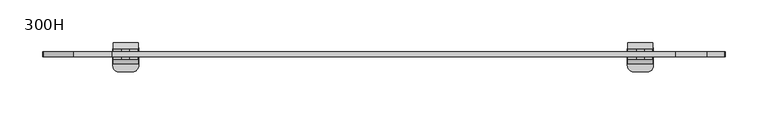
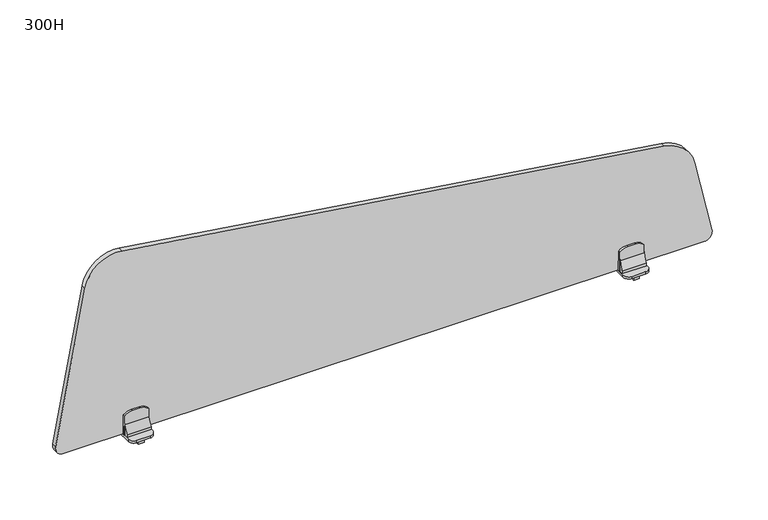
"""IFC4 building model written with IfcOpenShell, lengths in millimetres: furniture geometry, 300H."""

from ifc_helpers import new_model, si_unit, point, frame, frame_2d, origin, place, context, project, spatial, polyline, circle_curve, trimmed, segment, composite_curve, outline, extrude, source, transform, mapped, element, save


def furniture_300h_c50a1e90(model_context):
    return source(origin(), model_context, "Body", "SweptSolid", [
        extrude(outline(composite_curve([segment(trimmed(circle_curve(frame_2d((897.1869989, 303.2695447)), 14.2267735), [point((907.377178, 313.1973508))], [point((911.4137724, 303.2695447))], False, "CARTESIAN"), True, "CONTINUOUS"), segment(polyline([(911.4137724, 303.2695447), (911.4137724, 294.0742303)]), True, "CONTINUOUS"), segment(trimmed(circle_curve(frame_2d((896.9968668, 294.0742303)), 14.4169056), [point((911.4137724, 294.0742303))], [point((907.4675743, 284.1640612))], False, "CARTESIAN"), True, "CONTINUOUS"), segment(polyline([(907.4675743, 284.1640612), (883.4201418, 283.7300224), (883.4201418, 313.6155224), (907.377178, 313.1973508)]), True, "CONTINUOUS")], self_intersect=False)), frame((0.0, -22.4873291, 0.0), z_axis=(0.0, 1.0, 0.0), x_axis=(0.0, 0.0, 1.0)), (0.0, 0.0, 1.0), 2.999334),
        extrude(outline(composite_curve([segment(trimmed(circle_curve(frame_2d((897.1869989, 303.2695447)), 14.2267735), [point((907.377178, 313.1973508))], [point((911.4137724, 303.2695447))], False, "CARTESIAN"), True, "CONTINUOUS"), segment(polyline([(911.4137724, 303.2695447), (911.4137724, 294.0742303)]), True, "CONTINUOUS"), segment(trimmed(circle_curve(frame_2d((896.9968668, 294.0742303)), 14.4169056), [point((911.4137724, 294.0742303))], [point((907.4675743, 284.1640612))], False, "CARTESIAN"), True, "CONTINUOUS"), segment(polyline([(907.4675743, 284.1640612), (883.4201418, 283.7300224), (883.4201418, 313.6155224), (907.377178, 313.1973508)]), True, "CONTINUOUS")], self_intersect=False)), frame((0.0, -31.4873291, 0.0), z_axis=(0.0, 1.0, 0.0), x_axis=(0.0, 0.0, 1.0)), (0.0, 0.0, 1.0), 2.9974367),
        extrude(outline(composite_curve([segment(polyline([(-31.4729248, 883.4201418), (-36.5211722, 883.4201418), (-36.5211722, 886.6703705)]), True, "CONTINUOUS"), segment(trimmed(circle_curve(frame_2d((-54.8344291, 901.1750078)), 23.3615043), [point((-36.5211722, 886.6703705))], [point((-31.4729248, 901.1750078))], True, "CARTESIAN"), True, "CONTINUOUS"), segment(polyline([(-31.4729248, 901.1750078), (-31.4729248, 883.4201418)]), True, "CONTINUOUS")], self_intersect=False)), frame((284.1132831, 0.0, 0.0), z_axis=(1.0, 0.0, 0.0), x_axis=(0.0, 1.0, 0.0)), (0.0, 0.0, 1.0), 29.1132847),
        extrude(outline(composite_curve([segment(polyline([(-19.6398607, 883.4201418), (-19.6398607, 901.1750078)]), True, "CONTINUOUS"), segment(trimmed(circle_curve(frame_2d((1.0059606, 901.1750078)), 20.6458213), [point((-19.6398607, 901.1750078))], [point((-12.2649175, 885.3593912))], True, "CARTESIAN"), True, "CONTINUOUS"), segment(polyline([(-12.2649175, 885.3593912), (-12.2649175, 883.4201418), (-19.6398607, 883.4201418)]), True, "CONTINUOUS")], self_intersect=False)), frame((284.1132831, 0.0, 0.0), z_axis=(1.0, 0.0, 0.0), x_axis=(0.0, 1.0, 0.0)), (0.0, 0.0, 1.0), 29.1132847),
        extrude(outline(polyline([(-36.5132081, 880.4152285), (-28.476739, 880.4152285), (-28.476739, 876.645806), (-23.8902844, 876.645806), (-23.8902844, 873.6456927), (-41.0846201, 873.6456927), (-41.0846201, 876.645806), (-36.5132081, 876.645806), (-36.5132081, 880.4152285)])), frame((295.1757801, 0.0, 0.0), z_axis=(1.0, 0.0, 0.0), x_axis=(0.0, 1.0, 0.0)), (0.0, 0.0, 1.0), 6.9382188),
        extrude(outline(composite_curve([segment(polyline([(313.6679734, -19.2245738), (313.6679734, -39.5145243)]), True, "CONTINUOUS"), segment(trimmed(circle_curve(frame_2d((307.4654317, -39.5145243)), 6.2025417), [point((313.6679734, -39.5145243))], [point((307.4654317, -45.717066))], False, "CARTESIAN"), True, "CONTINUOUS"), segment(polyline([(307.4654317, -45.717066), (290.639712, -45.717066)]), True, "CONTINUOUS"), segment(trimmed(circle_curve(frame_2d((290.639712, -38.7531399)), 6.9639261), [point((290.639712, -45.717066))], [point((283.6757859, -38.7531399))], False, "CARTESIAN"), True, "CONTINUOUS"), segment(polyline([(283.6757859, -38.7531399), (283.6757859, -18.9642438)]), True, "CONTINUOUS"), segment(trimmed(circle_curve(frame_2d((289.6878266, -18.9642438)), 6.0120407), [point((283.6757859, -18.9642438))], [point((288.7235722, -13.0300339))], False, "CARTESIAN"), True, "CONTINUOUS"), segment(trimmed(circle_curve(frame_2d((298.6652738, -74.2132045)), 61.9856257), [point((288.7235722, -13.0300339))], [point((308.3385337, -12.9870187))], False, "CARTESIAN"), True, "CONTINUOUS"), segment(trimmed(circle_curve(frame_2d((307.3530486, -19.2245738)), 6.3149248), [point((308.3385337, -12.9870187))], [point((313.6679734, -19.2245738))], False, "CARTESIAN"), True, "CONTINUOUS")], self_intersect=False)), frame((0.0, 0.0, 880.4152285), z_axis=(0.0, 0.0, 1.0), x_axis=(1.0, 0.0, 0.0)), (0.0, 0.0, 1.0), 3.0049134),
        extrude(outline(composite_curve([segment(polyline([(907.377178, -315.6973508), (883.4201418, -316.1155224), (883.4201418, -286.2300224), (907.4675743, -286.6640612)]), True, "CONTINUOUS"), segment(trimmed(circle_curve(frame_2d((896.9968668, -296.5742303)), 14.4169056), [point((907.4675743, -286.6640612))], [point((911.4137724, -296.5742303))], False, "CARTESIAN"), True, "CONTINUOUS"), segment(polyline([(911.4137724, -296.5742303), (911.4137724, -305.7695447)]), True, "CONTINUOUS"), segment(trimmed(circle_curve(frame_2d((897.1869989, -305.7695447)), 14.2267735), [point((911.4137724, -305.7695447))], [point((907.377178, -315.6973508))], False, "CARTESIAN"), True, "CONTINUOUS")], self_intersect=False)), frame((0.0, -22.4873291, 0.0), z_axis=(0.0, 1.0, 0.0), x_axis=(0.0, 0.0, 1.0)), (0.0, 0.0, 1.0), 2.999334),
        extrude(outline(composite_curve([segment(polyline([(907.377178, -315.6973508), (883.4201418, -316.1155224), (883.4201418, -286.2300224), (907.4675743, -286.6640612)]), True, "CONTINUOUS"), segment(trimmed(circle_curve(frame_2d((896.9968668, -296.5742303)), 14.4169056), [point((907.4675743, -286.6640612))], [point((911.4137724, -296.5742303))], False, "CARTESIAN"), True, "CONTINUOUS"), segment(polyline([(911.4137724, -296.5742303), (911.4137724, -305.7695447)]), True, "CONTINUOUS"), segment(trimmed(circle_curve(frame_2d((897.1869989, -305.7695447)), 14.2267735), [point((911.4137724, -305.7695447))], [point((907.377178, -315.6973508))], False, "CARTESIAN"), True, "CONTINUOUS")], self_intersect=False)), frame((0.0, -31.4873291, 0.0), z_axis=(0.0, 1.0, 0.0), x_axis=(0.0, 0.0, 1.0)), (0.0, 0.0, 1.0), 2.9974367),
        extrude(outline(composite_curve([segment(polyline([(-31.4729248, 883.4201418), (-36.5211722, 883.4201418), (-36.5211722, 886.6703705)]), True, "CONTINUOUS"), segment(trimmed(circle_curve(frame_2d((-54.8344291, 901.1750078)), 23.3615043), [point((-36.5211722, 886.6703705))], [point((-31.4729248, 901.1750078))], True, "CARTESIAN"), True, "CONTINUOUS"), segment(polyline([(-31.4729248, 901.1750078), (-31.4729248, 883.4201418)]), True, "CONTINUOUS")], self_intersect=False)), frame((-315.7265678, 0.0, 0.0), z_axis=(1.0, 0.0, 0.0), x_axis=(0.0, 1.0, 0.0)), (0.0, 0.0, 1.0), 29.1132847),
        extrude(outline(composite_curve([segment(polyline([(-19.6398607, 883.4201418), (-19.6398607, 901.1750078)]), True, "CONTINUOUS"), segment(trimmed(circle_curve(frame_2d((1.0059606, 901.1750078)), 20.6458213), [point((-19.6398607, 901.1750078))], [point((-12.2649175, 885.3593912))], True, "CARTESIAN"), True, "CONTINUOUS"), segment(polyline([(-12.2649175, 885.3593912), (-12.2649175, 883.4201418), (-19.6398607, 883.4201418)]), True, "CONTINUOUS")], self_intersect=False)), frame((-315.7265678, 0.0, 0.0), z_axis=(1.0, 0.0, 0.0), x_axis=(0.0, 1.0, 0.0)), (0.0, 0.0, 1.0), 29.1132847),
        extrude(outline(polyline([(-36.5132081, 880.4152285), (-28.476739, 880.4152285), (-28.476739, 876.645806), (-23.8902844, 876.645806), (-23.8902844, 873.6456927), (-41.0846201, 873.6456927), (-41.0846201, 876.645806), (-36.5132081, 876.645806), (-36.5132081, 880.4152285)])), frame((-304.6139989, 0.0, 0.0), z_axis=(1.0, 0.0, 0.0), x_axis=(0.0, 1.0, 0.0)), (0.0, 0.0, 1.0), 6.9382188),
        extrude(outline(composite_curve([segment(trimmed(circle_curve(frame_2d((-309.8530486, -19.2245738)), 6.3149248), [point((-316.1679734, -19.2245738))], [point((-310.8385337, -12.9870187))], False, "CARTESIAN"), True, "CONTINUOUS"), segment(trimmed(circle_curve(frame_2d((-301.1652738, -74.2132045)), 61.9856257), [point((-310.8385337, -12.9870187))], [point((-291.2235722, -13.0300339))], False, "CARTESIAN"), True, "CONTINUOUS"), segment(trimmed(circle_curve(frame_2d((-292.1878266, -18.9642438)), 6.0120407), [point((-291.2235722, -13.0300339))], [point((-286.1757859, -18.9642438))], False, "CARTESIAN"), True, "CONTINUOUS"), segment(polyline([(-286.1757859, -18.9642438), (-286.1757859, -38.7531399)]), True, "CONTINUOUS"), segment(trimmed(circle_curve(frame_2d((-293.139712, -38.7531399)), 6.9639261), [point((-286.1757859, -38.7531399))], [point((-293.139712, -45.717066))], False, "CARTESIAN"), True, "CONTINUOUS"), segment(polyline([(-293.139712, -45.717066), (-309.9654317, -45.717066)]), True, "CONTINUOUS"), segment(trimmed(circle_curve(frame_2d((-309.9654317, -39.5145243)), 6.2025417), [point((-309.9654317, -45.717066))], [point((-316.1679734, -39.5145243))], False, "CARTESIAN"), True, "CONTINUOUS"), segment(polyline([(-316.1679734, -39.5145243), (-316.1679734, -19.2245738)]), True, "CONTINUOUS")], self_intersect=False)), frame((0.0, 0.0, 880.4152285), z_axis=(0.0, 0.0, 1.0), x_axis=(1.0, 0.0, 0.0)), (0.0, 0.0, 1.0), 3.0049134),
        extrude(outline(composite_curve([segment(polyline([(1022.6379828, 339.2415163), (1118.3965169, -317.0408161)]), True, "CONTINUOUS"), segment(trimmed(circle_curve(frame_2d((1078.8156343, -322.8160855)), 40.0), [point((1118.3965169, -317.0408161))], [point((1086.148632, -362.1381804))], False, "CARTESIAN"), True, "CONTINUOUS"), segment(polyline([(1086.148632, -362.1381804), (895.2485128, -397.7382709)]), True, "CONTINUOUS"), segment(trimmed(circle_curve(frame_2d((893.4152634, -387.9077472)), 10.0), [point((895.2485128, -397.7382709))], [point((883.4152634, -387.9076732))], False, "CARTESIAN"), True, "CONTINUOUS"), segment(polyline([(883.4152634, -387.9076732), (883.4210018, 387.5684689)]), True, "CONTINUOUS"), segment(trimmed(circle_curve(frame_2d((893.4210018, 387.5683949)), 10.0), [point((883.4210018, 387.5684689))], [point((895.6054764, 397.326882))], False, "CARTESIAN"), True, "CONTINUOUS"), segment(polyline([(895.6054764, 397.326882), (987.9396256, 376.6575302)]), True, "CONTINUOUS"), segment(trimmed(circle_curve(frame_2d((978.1094899, 332.7443382)), 45.0), [point((987.9396256, 376.6575302))], [point((1022.6379828, 339.2415163))], False, "CARTESIAN"), True, "CONTINUOUS")], self_intersect=False)), frame((0.0, -28.4898924, 0.0), z_axis=(0.0, 1.0, 0.0), x_axis=(0.0, 0.0, 1.0)), (0.0, 0.0, 1.0), 6.0025633),
    ])


if __name__ == "__main__":
    model = new_model("IFC4")
    model_context = context("Model", 3, world=origin())
    ifc_project = project(units=[si_unit("LENGTHUNIT", "METRE", prefix="MILLI")], contexts=[model_context])
    site = spatial("IfcSite", under=ifc_project)
    building = spatial("IfcBuilding", under=site)
    placement = place(None, origin())
    furniture_300h_shape = furniture_300h_c50a1e90(model_context)
    element("IfcFurniture", 1, ObjectType="300H", at=placement, inside=building, context=model_context, shape_type="MappedRepresentation", body=[
        mapped(furniture_300h_shape, transform((0.0, 0.0, 0.0), x_axis=(1.0, 0.0, 0.0), y_axis=(0.0, 1.0, 0.0), z_axis=(0.0, 0.0, 1.0))),
    ])
    save(model, "model.ifc")
